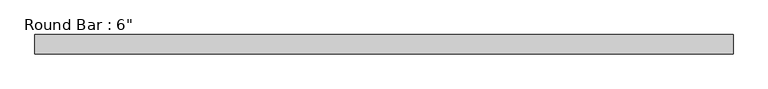
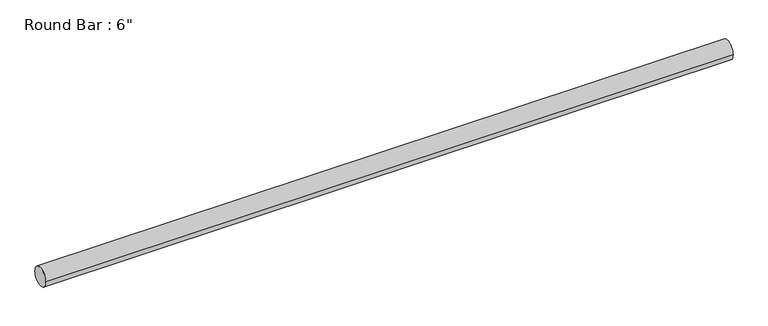
"""IFC4 building model written with IfcOpenShell, lengths in millimetres: beam geometry."""

import ifcopenshell
import ifcopenshell.guid

model = None  # the IFC model being written
_history = None  # IfcOwnerHistory: only IFC2X3 demands one
_inside = {}  # id of a spatial element -> (the spatial element, [elements in it])
_under = {}  # id of a project, library or spatial element -> (it, [spatial elements below it])
_declared = {}  # id of a project -> (the project, [libraries it declares])
_typed = {}  # id of a type object -> (the type object, [elements of that type])
_made_of = {}  # id of a material, layer set ... -> (it, [elements and type objects made of it])


def new_model(schema):
    """Start an empty IFC model of exactly this schema.

    Asked for "IFC4X3", IfcOpenShell would pick the latest addendum, in which some entities
    have other attributes; the version numbers below select the first issue.
    IFC2X3 requires an IfcOwnerHistory on every rooted entity: one is made here for all.
    """
    global model, _history
    if schema == "IFC4X3":
        model = ifcopenshell.file(schema_version=(4, 3, 0, 0))
    else:
        model = ifcopenshell.file(schema=schema)
    _inside.clear()
    _under.clear()
    _declared.clear()
    _typed.clear()
    _made_of.clear()
    _history = None
    if model.schema == "IFC2X3":
        org = make("IfcOrganization", Name="unknown")
        user = make(
            "IfcPersonAndOrganization",
            ThePerson=make("IfcPerson", FamilyName="unknown"),
            TheOrganization=org,
        )
        app = make(
            "IfcApplication",
            ApplicationDeveloper=org,
            Version="unknown",
            ApplicationFullName="unknown",
            ApplicationIdentifier="unknown",
        )
        _history = make(
            "IfcOwnerHistory",
            OwningUser=user,
            OwningApplication=app,
            ChangeAction="ADDED",
            CreationDate=0,
        )
    return model


def make(cls, **values):
    """One entity of the class cls with the attributes given. An attribute that is None is left unset."""
    return model.create_entity(
        cls, **{name: value for name, value in values.items() if value is not None}
    )


def rooted(cls, **values):
    """An entity with a GlobalId (a new one), such as an element, a storey or a relation."""
    return make(cls, GlobalId=ifcopenshell.guid.new(), OwnerHistory=_history, **values)


def si_unit(unit_type, name, prefix=None):
    """IfcSIUnit, for example si_unit("LENGTHUNIT", "METRE", prefix="MILLI")."""
    return make("IfcSIUnit", UnitType=unit_type, Prefix=prefix, Name=name)


def assignment(units):
    """IfcUnitAssignment: the units of a project."""
    return None if units is None else make("IfcUnitAssignment", Units=units)


def point(xyz):
    """IfcCartesianPoint."""
    return None if xyz is None else make("IfcCartesianPoint", Coordinates=xyz)


def direction(xyz):
    """IfcDirection."""
    return None if xyz is None else make("IfcDirection", DirectionRatios=xyz)


def frame(location, z_axis=None, x_axis=None):
    """IfcAxis2Placement3D, a coordinate frame: its origin and axes. An axis left out is left unset."""
    return make(
        "IfcAxis2Placement3D",
        Location=point(location),
        Axis=direction(z_axis),
        RefDirection=direction(x_axis),
    )


def frame_2d(location, x_axis=None):
    """IfcAxis2Placement2D, a coordinate frame in the plane: its origin and x axis."""
    return make(
        "IfcAxis2Placement2D", Location=point(location), RefDirection=direction(x_axis)
    )


def origin():
    """The frame at (0, 0, 0) with its axes left unset."""
    return frame((0.0, 0.0, 0.0))


def origin_2d():
    """The frame at (0, 0) in the plane with its x axis left unset."""
    return frame_2d((0.0, 0.0))


def place(relative_to, where):
    """IfcLocalPlacement: puts the frame where relative to a parent placement (None: the world)."""
    return make(
        "IfcLocalPlacement", PlacementRelTo=relative_to, RelativePlacement=where
    )


def context(
    kind, dimensions, precision=None, world=None, true_north=None, identifier=None
):
    """IfcGeometricRepresentationContext, for example the 3D "Model" context."""
    return make(
        "IfcGeometricRepresentationContext",
        ContextIdentifier=identifier,
        ContextType=kind,
        CoordinateSpaceDimension=dimensions,
        Precision=precision,
        WorldCoordinateSystem=world,
        TrueNorth=true_north,
    )


def project(units=None, contexts=None):
    """IfcProject with its units and contexts."""
    return rooted(
        "IfcProject",
        Name="project",
        RepresentationContexts=contexts,
        UnitsInContext=assignment(units),
    )


def spatial(cls, under=None, at=None, **own):
    """A site, building, storey or space (cls), placed at a placement, below another one or the project."""
    s = rooted(cls, ObjectPlacement=at, **own)
    if under is not None:
        _under.setdefault(under.id(), (under, []))[1].append(s)
    return s


def circle_curve(where, radius):
    """IfcCircle in the frame where."""
    return make("IfcCircle", Position=where, Radius=radius)


def trimmed(basis, trim1, trim2, sense, master):
    """IfcTrimmedCurve: the piece of a basis curve between two trims."""
    return make(
        "IfcTrimmedCurve",
        BasisCurve=basis,
        Trim1=trim1,
        Trim2=trim2,
        SenseAgreement=sense,
        MasterRepresentation=master,
    )


def segment(curve, same_sense, transition):
    """IfcCompositeCurveSegment."""
    return make(
        "IfcCompositeCurveSegment",
        Transition=transition,
        SameSense=same_sense,
        ParentCurve=curve,
    )


def composite_curve(segments, self_intersect=None):
    """IfcCompositeCurve: segments joined end to end."""
    return make("IfcCompositeCurve", Segments=segments, SelfIntersect=self_intersect)


def outline(outer, holes=None, kind="AREA"):
    """IfcArbitraryClosedProfileDef: a profile drawn as a closed curve; with holes, ...WithVoids."""
    if holes is None:
        return make("IfcArbitraryClosedProfileDef", ProfileType=kind, OuterCurve=outer)
    return make(
        "IfcArbitraryProfileDefWithVoids",
        ProfileType=kind,
        OuterCurve=outer,
        InnerCurves=holes,
    )


def extrude(swept, where, along, depth):
    """IfcExtrudedAreaSolid: the profile swept, set in the frame where, extruded along a direction by depth."""
    return make(
        "IfcExtrudedAreaSolid",
        SweptArea=swept,
        Position=where,
        ExtrudedDirection=direction(along),
        Depth=depth,
    )


def shape(context_of_items, identifier, shape_type, items):
    """IfcShapeRepresentation: the items that make up one representation, for example the "Body"."""
    return make(
        "IfcShapeRepresentation",
        ContextOfItems=context_of_items,
        RepresentationIdentifier=identifier,
        RepresentationType=shape_type,
        Items=items,
    )


def source(mapping_origin, context_of_items, identifier, shape_type, items):
    """IfcRepresentationMap: a shape defined once, which mapped items show again and again."""
    return make(
        "IfcRepresentationMap",
        MappingOrigin=mapping_origin,
        MappedRepresentation=shape(context_of_items, identifier, shape_type, items),
    )


def transform(
    local_origin,
    x_axis=None,
    y_axis=None,
    z_axis=None,
    scale=None,
    scale2=None,
    scale3=None,
    uniform=True,
):
    """IfcCartesianTransformationOperator3D, or its non-uniform kind. x_axis, y_axis, z_axis: its Axis1, 2, 3."""
    if uniform:
        return make(
            "IfcCartesianTransformationOperator3D",
            Axis1=direction(x_axis),
            Axis2=direction(y_axis),
            LocalOrigin=point(local_origin),
            Scale=scale,
            Axis3=direction(z_axis),
        )
    return make(
        "IfcCartesianTransformationOperator3DnonUniform",
        Axis1=direction(x_axis),
        Axis2=direction(y_axis),
        LocalOrigin=point(local_origin),
        Scale=scale,
        Axis3=direction(z_axis),
        Scale2=scale2,
        Scale3=scale3,
    )


def mapped(mapping_source, mapping_target):
    """IfcMappedItem: shows the shape of a source again, moved by a transform."""
    return make(
        "IfcMappedItem", MappingSource=mapping_source, MappingTarget=mapping_target
    )


def made_of(thing, what):
    """Note that an element or type object is made of a material, layer set ...; save() writes the relation."""
    if what is not None:
        _made_of.setdefault(what.id(), (what, []))[1].append(thing)
    return thing


def element(
    cls,
    number,
    at=None,
    inside=None,
    cuts=None,
    type_object=None,
    material=None,
    context=None,
    identifier="Body",
    shape_type=None,
    held_by="IfcProductDefinitionShape",
    body=None,
    shapes=None,
    **own,
):
    """One element of the class cls, such as IfcWall. Its Tag is "e" and its number.

    at: its placement. inside: the storey or other place that contains it. cuts: it is an
    opening in that element (IfcRelVoidsElement). A single representation is given by context,
    identifier, shape_type and body (its items); several are given by shapes. held_by: the class
    of the entity that holds the representations. save() writes the other relations.
    """
    e = rooted(cls, Tag="e%d" % number, ObjectPlacement=at, **own)
    if body is not None:
        shapes = [shape(context, identifier, shape_type, body)]
    if shapes is not None:
        e.Representation = make(held_by, Representations=shapes)
    if inside is not None:
        _inside.setdefault(inside.id(), (inside, []))[1].append(e)
    if cuts is not None:
        rooted(
            "IfcRelVoidsElement", RelatingBuildingElement=cuts, RelatedOpeningElement=e
        )
    if type_object is not None:
        _typed.setdefault(type_object.id(), (type_object, []))[1].append(e)
    return made_of(e, material)


def aggregate(whole, parts):
    """IfcRelAggregates: a whole, such as a stair, and the parts it consists of."""
    return rooted("IfcRelAggregates", RelatingObject=whole, RelatedObjects=parts)


def save(model, path):
    """Write the relations noted so far, then the file.

    IfcRelAggregates (storeys below a building ...), IfcRelContainedInSpatialStructure (elements
    in a storey), IfcRelDefinesByType, IfcRelAssociatesMaterial and IfcRelDeclares: one each for
    every whole, place, type object, material and project.
    """
    for whole, parts in _under.values():
        aggregate(whole, parts)
    for where, things in _inside.values():
        rooted(
            "IfcRelContainedInSpatialStructure",
            RelatedElements=things,
            RelatingStructure=where,
        )
    for kind, things in _typed.values():
        rooted("IfcRelDefinesByType", RelatedObjects=things, RelatingType=kind)
    for what, things in _made_of.values():
        rooted("IfcRelAssociatesMaterial", RelatedObjects=things, RelatingMaterial=what)
    for by, libraries in _declared.values():
        rooted("IfcRelDeclares", RelatingContext=by, RelatedDefinitions=libraries)
    model.write(path)


def beam_81e9c210(model_context):
    return source(origin(), model_context, "Body", "SweptSolid", [
        extrude(outline(composite_curve([segment(trimmed(circle_curve(origin_2d(), 76.2), [point((76.2, 0.0))], [point((-76.2, 0.0))], False, "CARTESIAN"), True, "CONTINUOUS"), segment(trimmed(circle_curve(origin_2d(), 76.2), [point((-76.2, 0.0))], [point((76.2, 0.0))], False, "CARTESIAN"), True, "CONTINUOUS")], self_intersect=False)), frame((-2738.5974591, 0.0, 0.0), z_axis=(1.0, 0.0, 0.0), x_axis=(0.0, 1.0, 0.0)), (0.0, 0.0, 1.0), 5477.1949183),
    ])


if __name__ == "__main__":
    model = new_model("IFC4")
    model_context = context("Model", 3, world=origin())
    ifc_project = project(units=[si_unit("LENGTHUNIT", "METRE", prefix="MILLI")], contexts=[model_context])
    site = spatial("IfcSite", under=ifc_project)
    building = spatial("IfcBuilding", under=site)
    placement = place(None, origin())
    beam_shape = beam_81e9c210(model_context)
    element("IfcBeam", 1, ObjectType="Round Bar : 6\"", at=placement, inside=building, context=model_context, shape_type="MappedRepresentation", body=[
        mapped(beam_shape, transform((0.0, 0.0, 0.0), x_axis=(1.0, 0.0, 0.0), y_axis=(0.0, 1.0, 0.0), z_axis=(0.0, 0.0, 1.0))),
    ])
    save(model, "model.ifc")
